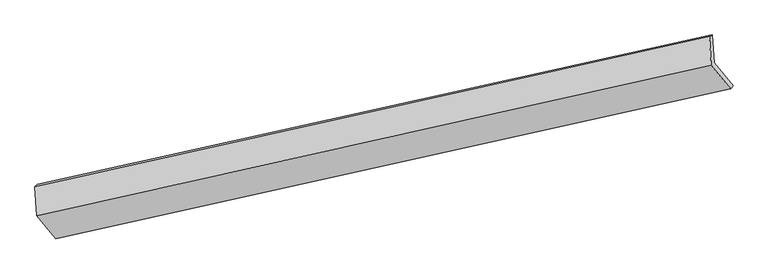
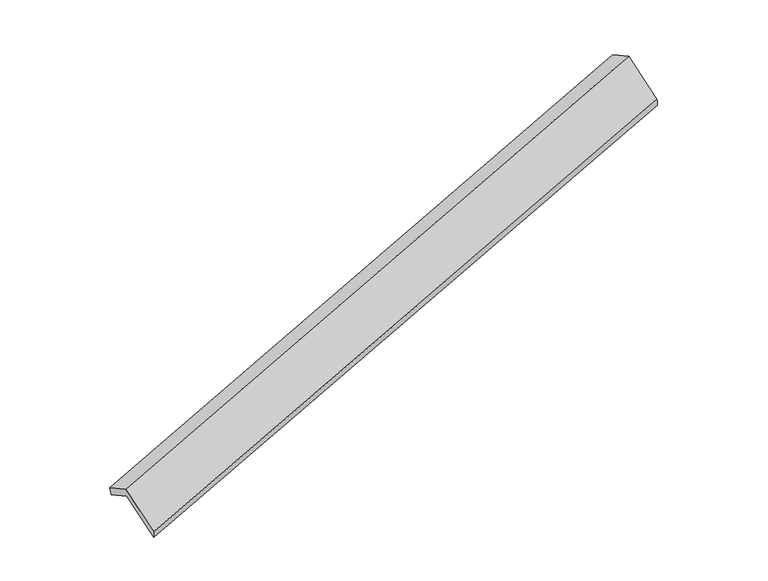
"""IFC4 building model written with IfcOpenShell, lengths in millimetres: proxy geometry."""

from ifc_helpers import new_model, si_unit, frame, origin, place, context, project, spatial, source, transform, mapped, element, save
from ifc_brep_helpers import plane_surface, spline_surface, advanced_brep


def generic_models_25f8701e(model_context):
    return source(origin(), model_context, "Body", "AdvancedBrep", [
        advanced_brep(
        [(-7521.3142868, -2538.4441233, 708.3621323), (-7544.2360907, -2145.7664104, 499.5572786), (1658.8425637, -109.5805247, 3339.8503213), (1680.9922986, -489.0317803, 3541.6220576), (-7583.9022484, -2177.2956798, 651.0986657), (1618.4043371, -127.8833368, 3484.3585911), (-7560.6703716, -2575.2853094, 862.7281106), (1641.6362139, -525.8729665, 3695.988036), (-7298.9901027, -2890.8156083, 240.6166147), (1906.8288632, -845.638443, 3065.5263033), (-7269.5768423, -2841.9855077, 109.8884343), (1939.7545039, -801.0435201, 2926.4478861)],
        [
            (0, 1),
            (1, 2),
            (2, 3),
            (3, 0),
            (1, 4),
            (4, 5),
            (5, 2),
            (4, 6),
            (6, 7),
            (7, 5),
            (6, 8),
            (8, 9),
            (9, 7),
            (8, 10),
            (10, 11),
            (11, 9),
            (10, 0),
            (3, 11),
        ],
        [
            plane_surface(frame((-7532.7751888, -2342.1052668, 603.9597054), z_axis=(0.3513901258536112, -0.4234839750341706, -0.834976827428068), x_axis=(-0.05147126128364281, 0.8817638112681354, -0.468874493227946))),
            spline_surface(1, 1, [[(-7544.2360907, -2145.7664104, 499.5572786), (1658.8425637, -109.5805247, 3339.8503213)], [(-7583.9022484, -2177.2956798, 651.0986657), (1618.4043371, -127.8833368, 3484.3585911)]], [2, 2], [2, 2], [0.0, 1.0], [0.0, 1.0]),
            plane_surface(frame((-7572.28631, -2376.2904946, 756.9133882), z_axis=(-0.3513901258536188, 0.42348397503429347, 0.8349768274280023), x_axis=(0.05147126128342451, -0.8817638112681139, 0.46887449322801034))),
            plane_surface(frame((-7429.8302371, -2733.0504588, 551.6723627), z_axis=(0.051946083736830906, -0.8816582219538012, 0.4690206648386274), x_axis=(0.35123803711748325, -0.42351776571682764, -0.835023678349353))),
            spline_surface(1, 1, [[(-7298.9901027, -2890.8156083, 240.6166147), (1906.8288632, -845.638443, 3065.5263033)], [(-7269.5768423, -2841.9855077, 109.8884343), (1939.7545039, -801.0435201, 2926.4478861)]], [2, 2], [2, 2], [0.0, 1.0], [0.0, 1.0]),
            plane_surface(frame((-7395.4455646, -2690.2148155, 409.1252833), z_axis=(-0.05194608373685285, 0.8816582219538263, -0.46902066483857807), x_axis=(-0.3512380371174894, 0.4235177657167732, 0.8350236783493781))),
            plane_surface(frame((1741.0764634, -483.1750952, 3342.2988659), z_axis=(0.934870338893978, 0.2076662785820399, 0.2879099966936638), x_axis=(0.21991707173407898, 0.29785858758051514, -0.9289331210396412))),
            plane_surface(frame((-7463.1149904, -2528.2654398, 512.0418727), z_axis=(-0.9348703388939802, -0.20766627858198747, -0.2879099966936944), x_axis=(0.3512380371174915, -0.42351776571676714, -0.8350236783493803))),
        ],
        [
            (0, [[1, 2, 3, 4]]),
            (1, [[5, 6, 7, -2]]),
            (2, [[8, 9, 10, -6]]),
            (3, [[11, 12, 13, -9]]),
            (4, [[14, 15, 16, -12]]),
            (5, [[17, -4, 18, -15]]),
            (6, [[-16, -18, -3, -7, -10, -13]]),
            (7, [[-17, -14, -11, -8, -5, -1]]),
        ],
    ),
    ])


if __name__ == "__main__":
    model = new_model("IFC4")
    model_context = context("Model", 3, world=origin())
    ifc_project = project(units=[si_unit("LENGTHUNIT", "METRE", prefix="MILLI")], contexts=[model_context])
    site = spatial("IfcSite", under=ifc_project)
    building = spatial("IfcBuilding", under=site)
    placement = place(None, origin())
    generic_models_shape = generic_models_25f8701e(model_context)
    element("IfcBuildingElementProxy", 1, Name="Generic Models", at=placement, inside=building, context=model_context, shape_type="MappedRepresentation", body=[
        mapped(generic_models_shape, transform((0.0, 0.0, 0.0), x_axis=(1.0, 0.0, 0.0), y_axis=(0.0, 1.0, 0.0), z_axis=(0.0, 0.0, 1.0))),
    ])
    save(model, "model.ifc")
